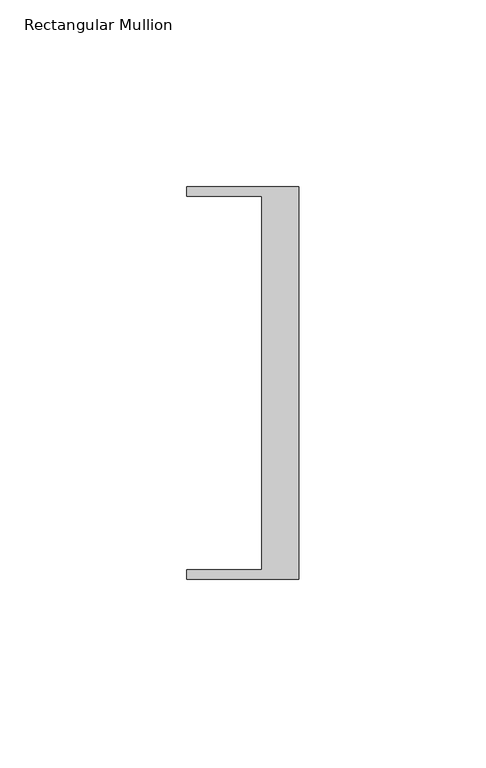
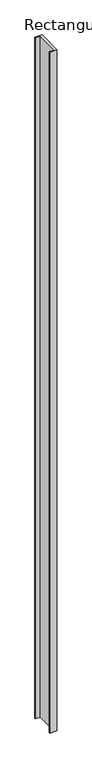
"""IFC4 building model written with IfcOpenShell, lengths in millimetres: member geometry, Rectangular Mullion."""

from ifc_helpers import new_model, si_unit, frame, origin, place, context, project, spatial, polyline, outline, extrude, source, transform, mapped, element, save


def rectangular_mullion_ee9a4075(model_context):
    return source(origin(), model_context, "Body", "SweptSolid", [
        extrude(outline(polyline([(-30.0, 52.5), (0.0, 52.5), (0.0, -52.5), (-30.0, -52.5), (-30.0, -50.0), (-10.0, -50.0), (-10.0, 50.0), (-30.0, 50.0), (-30.0, 52.5)])), frame((0.0, 0.0, -2955.0), z_axis=(0.0, 0.0, 1.0), x_axis=(1.0, 0.0, 0.0)), (0.0, 0.0, 1.0), 2955.0),
    ])


if __name__ == "__main__":
    model = new_model("IFC4")
    model_context = context("Model", 3, world=origin())
    ifc_project = project(units=[si_unit("LENGTHUNIT", "METRE", prefix="MILLI")], contexts=[model_context])
    site = spatial("IfcSite", under=ifc_project)
    building = spatial("IfcBuilding", under=site)
    placement = place(None, origin())
    rectangular_mullion_shape = rectangular_mullion_ee9a4075(model_context)
    element("IfcMember", 1, ObjectType="Rectangular Mullion", at=placement, inside=building, context=model_context, shape_type="MappedRepresentation", body=[
        mapped(rectangular_mullion_shape, transform((0.0, 0.0, 0.0), x_axis=(1.0, 0.0, 0.0), y_axis=(0.0, 1.0, 0.0), z_axis=(0.0, 0.0, 1.0))),
    ])
    save(model, "model.ifc")
